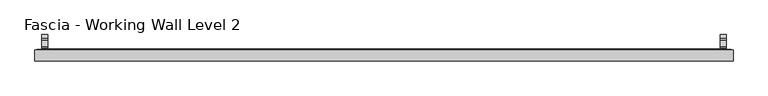
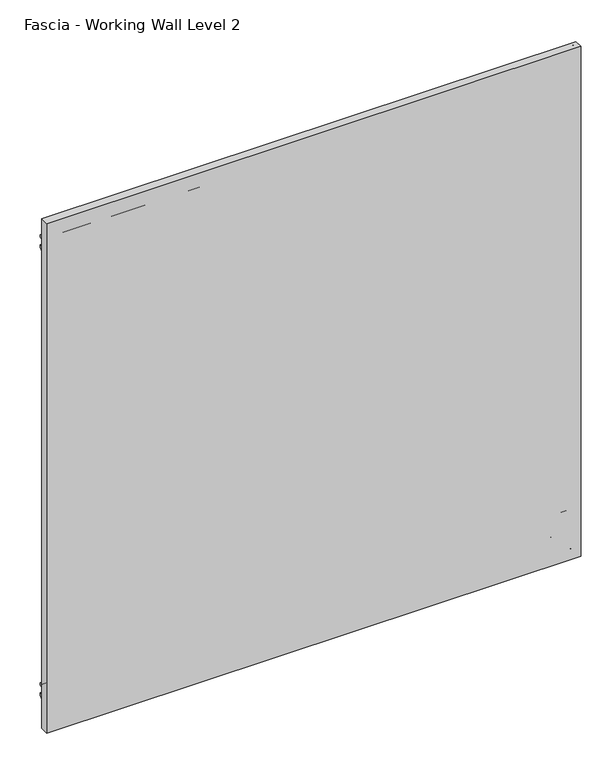
"""IFC4 building model written with IfcOpenShell, lengths in millimetres: proxy geometry, Fascia - Working Wall Level 2."""

from ifc_helpers import new_model, si_unit, point, frame, frame_2d, origin, origin_with_axes, place, context, project, spatial, polyline, circle_curve, ellipse_curve, trimmed, segment, composite_curve, outline, extrude, source, transform, mapped, element, save
from ifc_brep_helpers import plane_surface, cylinder_surface, advanced_brep


def fascia_working_wall_level_2_7f850f2b(model_context):
    return source(origin(), model_context, "Body", "SolidModel", [
        extrude(outline(polyline([(-679.4999368, -27.57958), (-679.4999368, -8.52958), (517.9473618, -8.52958), (517.9473618, -27.57958), (-679.4999368, -27.57958)])), origin_with_axes(), (0.0, 0.0, 1.0), 1206.5),
        extrude(outline(polyline([(-609.9674368, -8.52958), (-609.9674368, -7.7479633), (448.4148618, -7.7479633), (448.4148618, -8.52958), (-609.9674368, -8.52958)])), frame((0.0, 0.0, 68.2878437), z_axis=(0.0, 0.0, 1.0), x_axis=(1.0, 0.0, 0.0)), (0.0, 0.0, 1.0), 1067.435),
        advanced_brep(
        [(-631.6690291, -9.1390123, 46.5862514), (470.1164541, -9.1390123, 46.5862514), (470.3858618, -8.26542, 46.3168437), (-631.9384368, -8.26542, 46.3168437), (-632.8428445, -10.3128277, 45.412436), (471.2902695, -10.3128277, 45.412436), (-625.7562445, -9.1390123, 52.499036), (464.2036695, -9.1390123, 52.499036), (463.0298541, -10.3128277, 53.6728514), (-624.5824291, -10.3128277, 53.6728514), (-625.4868368, -8.26542, 52.7684437), (463.9342618, -8.26542, 52.7684437), (-609.2054368, -9.40842, 69.0498437), (447.6528618, -9.40842, 69.0498437), (448.4148618, -8.26542, 68.2878437), (-609.9674368, -8.26542, 68.2878437), (-596.8864368, -16.52042, 81.3688437), (435.3338618, -16.52042, 81.3688437), (435.3338618, -9.40842, 81.3688437), (-596.8864368, -9.40842, 81.3688437), (-677.9124368, -9.78942, 0.3428437), (516.3598618, -9.78942, 0.3428437), (516.3598618, -16.52042, 0.3428437), (-677.9124368, -16.52042, 0.3428437), (-676.3884368, -8.26542, 1.8668437), (514.8358618, -8.26542, 1.8668437), (-674.3410291, -9.1390123, 3.9142514), (512.7884541, -9.1390123, 3.9142514), (513.0578618, -8.26542, 3.6448437), (-674.6104368, -8.26542, 3.6448437), (-675.5148445, -10.3128277, 2.740436), (513.9622695, -10.3128277, 2.740436), (-668.4282445, -9.1390123, 9.827036), (506.8756695, -9.1390123, 9.827036), (505.7018541, -10.3128277, 11.0008514), (-667.2544291, -10.3128277, 11.0008514), (-668.1588368, -8.26542, 10.0964437), (506.6062618, -8.26542, 10.0964437), (-663.2693368, -8.26542, 14.9859437), (501.7167618, -8.26542, 14.9859437), (503.2407618, -8.26542, 13.4619437), (-664.7933368, -8.26542, 13.4619437), (-657.3003368, -8.26542, 20.9549437), (495.7477618, -8.26542, 20.9549437), (498.1607618, -8.26542, 18.5419437), (-659.7133368, -8.26542, 18.5419437), (470.1164541, -9.1390123, 1157.424436), (470.3858618, -8.26542, 1157.6938437), (471.2902695, -10.3128277, 1158.5982514), (464.2036695, -9.1390123, 1151.5116514), (463.0298541, -10.3128277, 1150.337836), (463.9342618, -8.26542, 1151.2422437), (447.6528618, -9.40842, 1134.9608437), (448.4148618, -8.26542, 1135.7228437), (435.3338618, -16.52042, 1122.6418437), (435.3338618, -9.40842, 1122.6418437), (516.3598618, -9.78942, 1203.6678437), (516.3598618, -16.52042, 1203.6678437), (514.8358618, -8.26542, 1202.1438437), (512.7884541, -9.1390123, 1200.096436), (513.0578618, -8.26542, 1200.3658437), (513.9622695, -10.3128277, 1201.2702514), (506.8756695, -9.1390123, 1194.1836514), (505.7018541, -10.3128277, 1193.009836), (506.6062618, -8.26542, 1193.9142437), (501.7167618, -8.26542, 1189.0247437), (503.2407618, -8.26542, 1190.5487437), (495.7477618, -8.26542, 1183.0557437), (498.1607618, -8.26542, 1185.4687437), (-631.6690291, -9.1390123, 1157.424436), (-631.9384368, -8.26542, 1157.6938437), (-632.8428445, -10.3128277, 1158.5982514), (-625.7562445, -9.1390123, 1151.5116514), (-624.5824291, -10.3128277, 1150.337836), (-625.4868368, -8.26542, 1151.2422437), (-609.2054368, -9.40842, 1134.9608437), (-609.9674368, -8.26542, 1135.7228437), (-596.8864368, -16.52042, 1122.6418437), (-596.8864368, -9.40842, 1122.6418437), (-677.9124368, -9.78942, 1203.6678437), (-677.9124368, -16.52042, 1203.6678437), (-676.3884368, -8.26542, 1202.1438437), (-674.3410291, -9.1390123, 1200.096436), (-674.6104368, -8.26542, 1200.3658437), (-675.5148445, -10.3128277, 1201.2702514), (-668.4282445, -9.1390123, 1194.1836514), (-667.2544291, -10.3128277, 1193.009836), (-668.1588368, -8.26542, 1193.9142437), (-663.2693368, -8.26542, 1189.0247437), (-664.7933368, -8.26542, 1190.5487437), (-657.3003368, -8.26542, 1183.0557437), (-659.7133368, -8.26542, 1185.4687437)],
        [
            (0, 1),
            (1, 2, ellipse_curve(frame((470.4820464, -8.77342, 46.220659), z_axis=(-0.7071067811865475, 0.0, -0.7071067811865475), x_axis=(-0.7071067811865476, 0.0, 0.7071067811865474)), 0.7311846, 0.5170256)),
            (2, 3),
            (3, 0, ellipse_curve(frame((-632.0346214, -8.77342, 46.220659), z_axis=(0.7071067811865475, 0.0, -0.7071067811865475), x_axis=(-0.7071067811865476, 0.0, -0.7071067811865474)), 0.7311846, 0.5170256)),
            (4, 5),
            (5, 1),
            (0, 4),
            (6, 7),
            (7, 8),
            (8, 9),
            (9, 6),
            (10, 11),
            (11, 7, ellipse_curve(frame((463.8380772, -8.77342, 52.8646283), z_axis=(-0.7071067811865475, 0.0, -0.7071067811865475), x_axis=(-0.7071067811865476, 0.0, 0.7071067811865474)), 0.7311846, 0.5170256)),
            (6, 10, ellipse_curve(frame((-625.3906522, -8.77342, 52.8646283), z_axis=(0.7071067811865475, 0.0, -0.7071067811865475), x_axis=(-0.7071067811865476, 0.0, -0.7071067811865474)), 0.7311846, 0.5170256)),
            (12, 13),
            (13, 14),
            (14, 15),
            (15, 12),
            (16, 17),
            (17, 18),
            (18, 19),
            (19, 16),
            (20, 21),
            (21, 22),
            (22, 23),
            (23, 20),
            (24, 25),
            (25, 21),
            (20, 24),
            (26, 27),
            (27, 28, ellipse_curve(frame((513.1540464, -8.77342, 3.548659), z_axis=(-0.7071067811865475, 0.0, -0.7071067811865475), x_axis=(-0.7071067811865476, 0.0, 0.7071067811865474)), 0.7311846, 0.5170256)),
            (28, 29),
            (29, 26, ellipse_curve(frame((-674.7066214, -8.77342, 3.548659), z_axis=(0.7071067811865475, 0.0, -0.7071067811865475), x_axis=(-0.7071067811865476, 0.0, -0.7071067811865474)), 0.7311846, 0.5170256)),
            (30, 31),
            (31, 27),
            (26, 30),
            (32, 33),
            (33, 34),
            (34, 35),
            (35, 32),
            (36, 37),
            (37, 33, ellipse_curve(frame((506.5100772, -8.77342, 10.1926283), z_axis=(-0.7071067811865475, 0.0, -0.7071067811865475), x_axis=(-0.7071067811865476, 0.0, 0.7071067811865474)), 0.7311846, 0.5170256)),
            (32, 36, ellipse_curve(frame((-668.0626522, -8.77342, 10.1926283), z_axis=(0.7071067811865475, 0.0, -0.7071067811865475), x_axis=(-0.7071067811865476, 0.0, -0.7071067811865474)), 0.7311846, 0.5170256)),
            (38, 39),
            (39, 40, ellipse_curve(frame((502.4787618, -8.26542, 14.2239437), z_axis=(-0.7071067811865475, 0.0, -0.7071067811865475), x_axis=(-0.7071067811865476, 0.0, 0.7071067811865474)), 1.0776307, 0.762)),
            (40, 41),
            (41, 38, ellipse_curve(frame((-664.0313368, -8.26542, 14.2239437), z_axis=(0.7071067811865475, 0.0, -0.7071067811865475), x_axis=(-0.7071067811865476, 0.0, -0.7071067811865474)), 1.0776307, 0.762)),
            (42, 43),
            (43, 44, ellipse_curve(frame((496.9542618, -8.9837931, 19.7484437), z_axis=(-0.7071067811865475, 0.0, -0.7071067811865475), x_axis=(-0.7071067811865476, 0.0, 0.7071067811865474)), 1.9858007, 1.4041731)),
            (44, 45),
            (45, 42, ellipse_curve(frame((-658.5068368, -8.9837931, 19.7484437), z_axis=(0.7071067811865475, 0.0, -0.7071067811865475), x_axis=(-0.7071067811865476, 0.0, -0.7071067811865474)), 1.9858007, 1.4041731)),
            (1, 46),
            (46, 47, ellipse_curve(frame((470.4820464, -8.77342, 1157.7900283), z_axis=(0.7071067811865475, 0.0, -0.7071067811865475), x_axis=(-0.7071067811865474, 0.0, -0.7071067811865476)), 0.7311846, 0.5170256)),
            (47, 2),
            (5, 48),
            (48, 46),
            (7, 49),
            (49, 50),
            (50, 8),
            (11, 51),
            (51, 49, ellipse_curve(frame((463.8380772, -8.77342, 1151.146059), z_axis=(0.7071067811865475, 0.0, -0.7071067811865475), x_axis=(-0.7071067811865474, 0.0, -0.7071067811865476)), 0.7311846, 0.5170256)),
            (13, 52),
            (52, 53),
            (53, 14),
            (17, 54),
            (54, 55),
            (55, 18),
            (21, 56),
            (56, 57),
            (57, 22),
            (25, 58),
            (58, 56),
            (27, 59),
            (59, 60, ellipse_curve(frame((513.1540464, -8.77342, 1200.4620283), z_axis=(0.7071067811865475, 0.0, -0.7071067811865475), x_axis=(-0.7071067811865474, 0.0, -0.7071067811865476)), 0.7311846, 0.5170256)),
            (60, 28),
            (31, 61),
            (61, 59),
            (33, 62),
            (62, 63),
            (63, 34),
            (37, 64),
            (64, 62, ellipse_curve(frame((506.5100772, -8.77342, 1193.818059), z_axis=(0.7071067811865475, 0.0, -0.7071067811865475), x_axis=(-0.7071067811865474, 0.0, -0.7071067811865476)), 0.7311846, 0.5170256)),
            (39, 65),
            (65, 66, ellipse_curve(frame((502.4787618, -8.26542, 1189.7867437), z_axis=(0.7071067811865475, 0.0, -0.7071067811865475), x_axis=(-0.7071067811865474, 0.0, -0.7071067811865476)), 1.0776307, 0.762)),
            (66, 40),
            (43, 67),
            (67, 68, ellipse_curve(frame((496.9542618, -8.9837931, 1184.2622437), z_axis=(0.7071067811865475, 0.0, -0.7071067811865475), x_axis=(-0.7071067811865474, 0.0, -0.7071067811865476)), 1.9858007, 1.4041731)),
            (68, 44),
            (46, 69),
            (69, 70, ellipse_curve(frame((-632.0346214, -8.77342, 1157.7900283), z_axis=(0.7071067811865475, 0.0, 0.7071067811865475), x_axis=(0.7071067811865476, 0.0, -0.7071067811865474)), 0.7311846, 0.5170256)),
            (70, 47),
            (48, 71),
            (71, 69),
            (49, 72),
            (72, 73),
            (73, 50),
            (51, 74),
            (74, 72, ellipse_curve(frame((-625.3906522, -8.77342, 1151.146059), z_axis=(0.7071067811865475, 0.0, 0.7071067811865475), x_axis=(0.7071067811865476, 0.0, -0.7071067811865474)), 0.7311846, 0.5170256)),
            (52, 75),
            (75, 76),
            (76, 53),
            (54, 77),
            (77, 78),
            (78, 55),
            (56, 79),
            (79, 80),
            (80, 57),
            (58, 81),
            (81, 79),
            (59, 82),
            (82, 83, ellipse_curve(frame((-674.7066214, -8.77342, 1200.4620283), z_axis=(0.7071067811865475, 0.0, 0.7071067811865475), x_axis=(0.7071067811865476, 0.0, -0.7071067811865474)), 0.7311846, 0.5170256)),
            (83, 60),
            (61, 84),
            (84, 82),
            (62, 85),
            (85, 86),
            (86, 63),
            (64, 87),
            (87, 85, ellipse_curve(frame((-668.0626522, -8.77342, 1193.818059), z_axis=(0.7071067811865475, 0.0, 0.7071067811865475), x_axis=(0.7071067811865476, 0.0, -0.7071067811865474)), 0.7311846, 0.5170256)),
            (65, 88),
            (88, 89, ellipse_curve(frame((-664.0313368, -8.26542, 1189.7867437), z_axis=(0.7071067811865475, 0.0, 0.7071067811865475), x_axis=(0.7071067811865476, 0.0, -0.7071067811865474)), 1.0776307, 0.762)),
            (89, 66),
            (67, 90),
            (90, 91, ellipse_curve(frame((-658.5068368, -8.9837931, 1184.2622437), z_axis=(0.7071067811865475, 0.0, 0.7071067811865475), x_axis=(0.7071067811865476, 0.0, -0.7071067811865474)), 1.9858007, 1.4041731)),
            (91, 68),
            (42, 90),
            (70, 3),
            (69, 0),
            (71, 4),
            (73, 9),
            (72, 6),
            (74, 10),
            (76, 15),
            (75, 12),
            (78, 19),
            (77, 16),
            (80, 23),
            (79, 20),
            (81, 24),
            (83, 29),
            (82, 26),
            (84, 30),
            (86, 35),
            (85, 32),
            (87, 36),
            (89, 41),
            (88, 38),
            (91, 45),
        ],
        [
            cylinder_surface(frame((-596.8864368, -8.77342, 46.220659), z_axis=(-1.0, 0.0, 0.0), x_axis=(0.0, 0.0, 1.0)), 0.5170256),
            plane_surface(frame((-631.6690291, -9.1390123, 46.5862514), z_axis=(0.0, -0.7071067813015448, 0.7071067810715502), x_axis=(1.0, 0.0, 0.0))),
            plane_surface(frame((-624.5824291, -10.3128277, 53.6728514), z_axis=(0.0, -0.7071067813016149, -0.7071067810714802), x_axis=(1.0, 0.0, 0.0))),
            cylinder_surface(frame((-596.8864368, -8.77342, 52.8646283), z_axis=(-1.0, 0.0, 0.0), x_axis=(0.0, 0.0, 1.0)), 0.5170256),
            plane_surface(frame((-609.9674368, -8.26542, 68.2878437), z_axis=(0.0, 0.5547001959766814, 0.8320502945035422), x_axis=(1.0, 0.0, 0.0))),
            plane_surface(frame((-596.8864368, -9.40842, 81.3688437), z_axis=(0.0, 0.0, 1.0), x_axis=(1.0, 0.0, 0.0))),
            plane_surface(frame((-677.9124368, -16.52042, 0.3428437), z_axis=(0.0, 0.0, -1.0), x_axis=(1.0, 0.0, 0.0))),
            plane_surface(frame((-677.9124368, -9.78942, 0.3428437), z_axis=(0.0, 0.7071067810149474, -0.7071067813581478), x_axis=(1.0, 0.0, 0.0))),
            cylinder_surface(frame((-596.8864368, -8.77342, 3.548659), z_axis=(-1.0, 0.0, 0.0), x_axis=(0.0, 0.0, 1.0)), 0.5170256),
            plane_surface(frame((-674.3410291, -9.1390123, 3.9142514), z_axis=(0.0, -0.7071067811139597, 0.7071067812591354), x_axis=(1.0, 0.0, 0.0))),
            plane_surface(frame((-667.2544291, -10.3128277, 11.0008514), z_axis=(0.0, -0.7071067811880297, -0.7071067811850653), x_axis=(1.0, 0.0, 0.0))),
            cylinder_surface(frame((-596.8864368, -8.77342, 10.1926283), z_axis=(-1.0, 0.0, 0.0), x_axis=(0.0, 0.0, 1.0)), 0.5170256),
            cylinder_surface(frame((-596.8864368, -8.26542, 14.2239437), z_axis=(-1.0, 0.0, 0.0), x_axis=(0.0, 0.0, 1.0)), 0.762),
            cylinder_surface(frame((-596.8864368, -8.9837931, 19.7484437), z_axis=(-1.0, 0.0, 0.0), x_axis=(0.0, 0.0, 1.0)), 1.4041731),
            cylinder_surface(frame((470.4820464, -8.77342, 81.3688437), z_axis=(0.0, 0.0, -1.0), x_axis=(-1.0, 0.0, 0.0)), 0.5170256),
            plane_surface(frame((470.1164541, -9.1390123, 46.5862514), z_axis=(-0.7071067810715405, -0.7071067813015546, 0.0), x_axis=(0.0, 0.0, 1.0))),
            plane_surface(frame((463.0298541, -10.3128277, 53.6728514), z_axis=(0.7071067810714899, -0.7071067813016051, 0.0), x_axis=(0.0, 0.0, 1.0))),
            cylinder_surface(frame((463.8380772, -8.77342, 81.3688437), z_axis=(0.0, 0.0, -1.0), x_axis=(-1.0, 0.0, 0.0)), 0.5170256),
            plane_surface(frame((448.4148618, -8.26542, 68.2878437), z_axis=(-0.8320502945035498, 0.5547001959766699, 0.0), x_axis=(0.0, 0.0, 1.0))),
            plane_surface(frame((435.3338618, -9.40842, 81.3688437), z_axis=(-1.0, 0.0, 0.0), x_axis=(0.0, 0.0, 1.0))),
            plane_surface(frame((516.3598618, -16.52042, 0.3428437), z_axis=(1.0, 0.0, 0.0), x_axis=(0.0, 0.0, 1.0))),
            plane_surface(frame((516.3598618, -9.78942, 0.3428437), z_axis=(0.707106781358138, 0.7071067810149572, 0.0), x_axis=(0.0, 0.0, 1.0))),
            cylinder_surface(frame((513.1540464, -8.77342, 81.3688437), z_axis=(0.0, 0.0, -1.0), x_axis=(-1.0, 0.0, 0.0)), 0.5170256),
            plane_surface(frame((512.7884541, -9.1390123, 3.9142514), z_axis=(-0.7071067812591256, -0.7071067811139695, 0.0), x_axis=(0.0, 0.0, 1.0))),
            plane_surface(frame((505.7018541, -10.3128277, 11.0008514), z_axis=(0.7071067811850751, -0.70710678118802, 0.0), x_axis=(0.0, 0.0, 1.0))),
            cylinder_surface(frame((506.5100772, -8.77342, 81.3688437), z_axis=(0.0, 0.0, -1.0), x_axis=(-1.0, 0.0, 0.0)), 0.5170256),
            cylinder_surface(frame((502.4787618, -8.26542, 81.3688437), z_axis=(0.0, 0.0, -1.0), x_axis=(-1.0, 0.0, 0.0)), 0.762),
            cylinder_surface(frame((496.9542618, -8.9837931, 81.3688437), z_axis=(0.0, 0.0, -1.0), x_axis=(-1.0, 0.0, 0.0)), 1.4041731),
            cylinder_surface(frame((435.3338618, -8.77342, 1157.7900283), z_axis=(1.0, 0.0, 0.0), x_axis=(0.0, 0.0, -1.0)), 0.5170256),
            plane_surface(frame((470.1164541, -9.1390123, 1157.424436), z_axis=(0.0, -0.7071067813015643, -0.7071067810715307), x_axis=(-1.0, 0.0, 0.0))),
            plane_surface(frame((463.0298541, -10.3128277, 1150.337836), z_axis=(0.0, -0.7071067813015953, 0.7071067810714997), x_axis=(-1.0, 0.0, 0.0))),
            cylinder_surface(frame((435.3338618, -8.77342, 1151.146059), z_axis=(1.0, 0.0, 0.0), x_axis=(0.0, 0.0, -1.0)), 0.5170256),
            plane_surface(frame((448.4148618, -8.26542, 1135.7228437), z_axis=(0.0, 0.5547001959766583, -0.8320502945035575), x_axis=(-1.0, 0.0, 0.0))),
            plane_surface(frame((435.3338618, -9.40842, 1122.6418437), z_axis=(0.0, 0.0, -1.0), x_axis=(-1.0, 0.0, 0.0))),
            plane_surface(frame((516.3598618, -16.52042, 1203.6678437), z_axis=(0.0, 0.0, 1.0), x_axis=(-1.0, 0.0, 0.0))),
            plane_surface(frame((516.3598618, -9.78942, 1203.6678437), z_axis=(0.0, 0.7071067810149669, 0.7071067813581282), x_axis=(-1.0, 0.0, 0.0))),
            cylinder_surface(frame((435.3338618, -8.77342, 1200.4620283), z_axis=(1.0, 0.0, 0.0), x_axis=(0.0, 0.0, -1.0)), 0.5170256),
            plane_surface(frame((512.7884541, -9.1390123, 1200.096436), z_axis=(0.0, -0.7071067811139793, -0.7071067812591159), x_axis=(-1.0, 0.0, 0.0))),
            plane_surface(frame((505.7018541, -10.3128277, 1193.009836), z_axis=(0.0, -0.7071067811880102, 0.7071067811850849), x_axis=(-1.0, 0.0, 0.0))),
            cylinder_surface(frame((435.3338618, -8.77342, 1193.818059), z_axis=(1.0, 0.0, 0.0), x_axis=(0.0, 0.0, -1.0)), 0.5170256),
            cylinder_surface(frame((435.3338618, -8.26542, 1189.7867437), z_axis=(1.0, 0.0, 0.0), x_axis=(0.0, 0.0, -1.0)), 0.762),
            cylinder_surface(frame((435.3338618, -8.9837931, 1184.2622437), z_axis=(1.0, 0.0, 0.0), x_axis=(0.0, 0.0, -1.0)), 1.4041731),
            plane_surface(frame((-657.3003368, -8.26542, 1183.0557437), z_axis=(0.0, 1.0, 0.0), x_axis=(0.0, 0.0, -1.0))),
            cylinder_surface(frame((-632.0346214, -8.77342, 1122.6418437), z_axis=(0.0, 0.0, 1.0), x_axis=(1.0, 0.0, 0.0)), 0.5170256),
            plane_surface(frame((-631.6690291, -9.1390123, 1157.424436), z_axis=(0.7071067810715405, -0.7071067813015546, 0.0), x_axis=(0.0, 0.0, -1.0))),
            plane_surface(frame((-632.8428445, -10.3128277, 1158.5982514), z_axis=(0.0, 1.0, 0.0), x_axis=(0.0, 0.0, -1.0))),
            plane_surface(frame((-624.5824291, -10.3128277, 1150.337836), z_axis=(-0.7071067810714899, -0.7071067813016051, 0.0), x_axis=(0.0, 0.0, -1.0))),
            cylinder_surface(frame((-625.3906522, -8.77342, 1122.6418437), z_axis=(0.0, 0.0, 1.0), x_axis=(1.0, 0.0, 0.0)), 0.5170256),
            plane_surface(frame((-625.4868368, -8.26542, 1151.2422437), z_axis=(0.0, 1.0, 0.0), x_axis=(0.0, 0.0, -1.0))),
            plane_surface(frame((-609.9674368, -8.26542, 1135.7228437), z_axis=(0.8320502945035498, 0.5547001959766699, 0.0), x_axis=(0.0, 0.0, -1.0))),
            plane_surface(frame((-609.2054368, -9.40842, 1134.9608437), z_axis=(0.0, 1.0, 0.0), x_axis=(0.0, 0.0, -1.0))),
            plane_surface(frame((-596.8864368, -9.40842, 1122.6418437), z_axis=(1.0, 0.0, 0.0), x_axis=(0.0, 0.0, -1.0))),
            plane_surface(frame((-596.8864368, -16.52042, 1122.6418437), z_axis=(0.0, -1.0, 0.0), x_axis=(0.0, 0.0, -1.0))),
            plane_surface(frame((-677.9124368, -16.52042, 1203.6678437), z_axis=(-1.0, 0.0, 0.0), x_axis=(0.0, 0.0, -1.0))),
            plane_surface(frame((-677.9124368, -9.78942, 1203.6678437), z_axis=(-0.707106781358138, 0.7071067810149572, 0.0), x_axis=(0.0, 0.0, -1.0))),
            plane_surface(frame((-676.3884368, -8.26542, 1202.1438437), z_axis=(0.0, 1.0, 0.0), x_axis=(0.0, 0.0, -1.0))),
            cylinder_surface(frame((-674.7066214, -8.77342, 1122.6418437), z_axis=(0.0, 0.0, 1.0), x_axis=(1.0, 0.0, 0.0)), 0.5170256),
            plane_surface(frame((-674.3410291, -9.1390123, 1200.096436), z_axis=(0.7071067812591256, -0.7071067811139695, 0.0), x_axis=(0.0, 0.0, -1.0))),
            plane_surface(frame((-675.5148445, -10.3128277, 1201.2702514), z_axis=(0.0, 1.0, 0.0), x_axis=(0.0, 0.0, -1.0))),
            plane_surface(frame((-667.2544291, -10.3128277, 1193.009836), z_axis=(-0.7071067811850751, -0.70710678118802, 0.0), x_axis=(0.0, 0.0, -1.0))),
            cylinder_surface(frame((-668.0626522, -8.77342, 1122.6418437), z_axis=(0.0, 0.0, 1.0), x_axis=(1.0, 0.0, 0.0)), 0.5170256),
            plane_surface(frame((-668.1588368, -8.26542, 1193.9142437), z_axis=(0.0, 1.0, 0.0), x_axis=(0.0, 0.0, -1.0))),
            cylinder_surface(frame((-664.0313368, -8.26542, 1122.6418437), z_axis=(0.0, 0.0, 1.0), x_axis=(1.0, 0.0, 0.0)), 0.762),
            plane_surface(frame((-663.2693368, -8.26542, 1189.0247437), z_axis=(0.0, 1.0, 0.0), x_axis=(0.0, 0.0, -1.0))),
            cylinder_surface(frame((-658.5068368, -8.9837931, 1122.6418437), z_axis=(0.0, 0.0, 1.0), x_axis=(1.0, 0.0, 0.0)), 1.4041731),
        ],
        [
            (0, [[1, 2, 3, 4]]),
            (1, [[5, 6, -1, 7]]),
            (2, [[8, 9, 10, 11]]),
            (3, [[12, 13, -8, 14]]),
            (4, [[15, 16, 17, 18]]),
            (5, [[19, 20, 21, 22]]),
            (6, [[23, 24, 25, 26]]),
            (7, [[27, 28, -23, 29]]),
            (8, [[30, 31, 32, 33]]),
            (9, [[34, 35, -30, 36]]),
            (10, [[37, 38, 39, 40]]),
            (11, [[41, 42, -37, 43]]),
            (12, [[44, 45, 46, 47]]),
            (13, [[48, 49, 50, 51]]),
            (14, [[52, 53, 54, -2]]),
            (15, [[55, 56, -52, -6]]),
            (16, [[57, 58, 59, -9]]),
            (17, [[60, 61, -57, -13]]),
            (18, [[62, 63, 64, -16]]),
            (19, [[65, 66, 67, -20]]),
            (20, [[68, 69, 70, -24]]),
            (21, [[71, 72, -68, -28]]),
            (22, [[73, 74, 75, -31]]),
            (23, [[76, 77, -73, -35]]),
            (24, [[78, 79, 80, -38]]),
            (25, [[81, 82, -78, -42]]),
            (26, [[83, 84, 85, -45]]),
            (27, [[86, 87, 88, -49]]),
            (28, [[89, 90, 91, -53]]),
            (29, [[92, 93, -89, -56]]),
            (30, [[94, 95, 96, -58]]),
            (31, [[97, 98, -94, -61]]),
            (32, [[99, 100, 101, -63]]),
            (33, [[102, 103, 104, -66]]),
            (34, [[105, 106, 107, -69]]),
            (35, [[108, 109, -105, -72]]),
            (36, [[110, 111, 112, -74]]),
            (37, [[113, 114, -110, -77]]),
            (38, [[115, 116, 117, -79]]),
            (39, [[118, 119, -115, -82]]),
            (40, [[120, 121, 122, -84]]),
            (41, [[123, 124, 125, -87]]),
            (42, [[-48, 126, -123, -86], [-3, -54, -91, 127]]),
            (43, [[128, -4, -127, -90]]),
            (44, [[129, -7, -128, -93]]),
            (45, [[-5, -129, -92, -55], [-10, -59, -96, 130]]),
            (46, [[131, -11, -130, -95]]),
            (47, [[132, -14, -131, -98]]),
            (48, [[-12, -132, -97, -60], [-17, -64, -101, 133]]),
            (49, [[134, -18, -133, -100]]),
            (50, [[-15, -134, -99, -62], [-21, -67, -104, 135]]),
            (51, [[136, -22, -135, -103]]),
            (52, [[-25, -70, -107, 137], [-19, -136, -102, -65]]),
            (53, [[138, -26, -137, -106]]),
            (54, [[139, -29, -138, -109]]),
            (55, [[-27, -139, -108, -71], [-32, -75, -112, 140]]),
            (56, [[141, -33, -140, -111]]),
            (57, [[142, -36, -141, -114]]),
            (58, [[-34, -142, -113, -76], [-39, -80, -117, 143]]),
            (59, [[144, -40, -143, -116]]),
            (60, [[145, -43, -144, -119]]),
            (61, [[-41, -145, -118, -81], [-46, -85, -122, 146]]),
            (62, [[147, -47, -146, -121]]),
            (63, [[-44, -147, -120, -83], [-50, -88, -125, 148]]),
            (64, [[-126, -51, -148, -124]]),
        ],
    ),
        extrude(outline(composite_curve([segment(trimmed(circle_curve(frame_2d((2.969762, 1105.9650068)), 8.9999998), [point((8.6264069, 1112.9651757))], [point((-2.6868829, 1112.9651757))], True, "CARTESIAN"), True, "CONTINUOUS"), segment(polyline([(-2.6868829, 1112.9651757), (-6.03022, 1112.9651757), (-6.03022, 1096.2667077), (-9.02742, 1096.2667077), (-9.02742, 1170.6633077), (-6.03022, 1170.6633077), (-6.03022, 1153.9648397), (-2.6868829, 1153.9648397)]), True, "CONTINUOUS"), segment(trimmed(circle_curve(frame_2d((2.969762, 1160.9650086)), 8.9999998), [point((-2.6868829, 1153.9648397))], [point((8.6264069, 1153.9648397))], True, "CARTESIAN"), True, "CONTINUOUS"), segment(polyline([(8.6264069, 1153.9648397), (11.464792, 1153.9648397), (17.46478, 1147.9648517), (17.46478, 1141.9650085), (3.517907, 1139.8943968)]), True, "CONTINUOUS"), segment(trimmed(circle_curve(frame_2d((4.4724412, 1133.4650077)), 6.49986), [point((3.517907, 1139.8943968))], [point((3.517907, 1127.0356186))], True, "CARTESIAN"), True, "CONTINUOUS"), segment(polyline([(3.517907, 1127.0356186), (17.46478, 1124.9650069), (17.46478, 1118.9651637), (11.464792, 1112.9651757), (8.6264069, 1112.9651757)]), True, "CONTINUOUS")], self_intersect=False), holes=[composite_curve([segment(trimmed(circle_curve(frame_2d((7.48258, 1119.9650077)), 2.7813), [point((10.26388, 1119.9650077))], [point((4.70128, 1119.9650077))], True, "CARTESIAN"), True, "CONTINUOUS"), segment(trimmed(circle_curve(frame_2d((7.48258, 1119.9650077)), 2.7813), [point((4.70128, 1119.9650077))], [point((10.26388, 1119.9650077))], True, "CARTESIAN"), True, "CONTINUOUS")], self_intersect=False), composite_curve([segment(trimmed(circle_curve(frame_2d((7.48258, 1146.9650077)), 2.7813), [point((10.26388, 1146.9650077))], [point((4.70128, 1146.9650077))], True, "CARTESIAN"), True, "CONTINUOUS"), segment(trimmed(circle_curve(frame_2d((7.48258, 1146.9650077)), 2.7813), [point((4.70128, 1146.9650077))], [point((10.26388, 1146.9650077))], True, "CARTESIAN"), True, "CONTINUOUS")], self_intersect=False)]), frame((496.2049618, 0.0, 0.0), z_axis=(1.0, 0.0, 0.0), x_axis=(0.0, 1.0, 0.0)), (0.0, 0.0, 1.0), 10.0076),
        extrude(outline(composite_curve([segment(trimmed(circle_curve(frame_2d((2.969762, 45.5349914)), 8.9999998), [point((8.6264069, 52.5351603))], [point((-2.6868829, 52.5351603))], True, "CARTESIAN"), True, "CONTINUOUS"), segment(polyline([(-2.6868829, 52.5351603), (-6.03022, 52.5351603), (-6.03022, 35.8366923), (-9.02742, 35.8366923), (-9.02742, 110.2332923), (-6.03022, 110.2332923), (-6.03022, 93.5348243), (-2.6868829, 93.5348243)]), True, "CONTINUOUS"), segment(trimmed(circle_curve(frame_2d((2.969762, 100.5349932)), 8.9999998), [point((-2.6868829, 93.5348243))], [point((8.6264069, 93.5348243))], True, "CARTESIAN"), True, "CONTINUOUS"), segment(polyline([(8.6264069, 93.5348243), (11.464792, 93.5348243), (17.46478, 87.5348363), (17.46478, 81.5349931), (3.517907, 79.4643814)]), True, "CONTINUOUS"), segment(trimmed(circle_curve(frame_2d((4.4724412, 73.0349923)), 6.49986), [point((3.517907, 79.4643814))], [point((3.517907, 66.6056032))], True, "CARTESIAN"), True, "CONTINUOUS"), segment(polyline([(3.517907, 66.6056032), (17.46478, 64.5349915), (17.46478, 58.5351483), (11.464792, 52.5351603), (8.6264069, 52.5351603)]), True, "CONTINUOUS")], self_intersect=False), holes=[composite_curve([segment(trimmed(circle_curve(frame_2d((7.48258, 59.5349923)), 2.7813), [point((10.26388, 59.5349923))], [point((4.70128, 59.5349923))], True, "CARTESIAN"), True, "CONTINUOUS"), segment(trimmed(circle_curve(frame_2d((7.48258, 59.5349923)), 2.7813), [point((4.70128, 59.5349923))], [point((10.26388, 59.5349923))], True, "CARTESIAN"), True, "CONTINUOUS")], self_intersect=False), composite_curve([segment(trimmed(circle_curve(frame_2d((7.48258, 86.5349923)), 2.7813), [point((10.26388, 86.5349923))], [point((4.70128, 86.5349923))], True, "CARTESIAN"), True, "CONTINUOUS"), segment(trimmed(circle_curve(frame_2d((7.48258, 86.5349923)), 2.7813), [point((4.70128, 86.5349923))], [point((10.26388, 86.5349923))], True, "CARTESIAN"), True, "CONTINUOUS")], self_intersect=False)]), frame((496.2049618, 0.0, 0.0), z_axis=(1.0, 0.0, 0.0), x_axis=(0.0, 1.0, 0.0)), (0.0, 0.0, 1.0), 10.0076),
        extrude(outline(composite_curve([segment(polyline([(-6.03022, 1170.6633077), (-6.03022, 1153.9648397), (-2.6868829, 1153.9648397)]), True, "CONTINUOUS"), segment(trimmed(circle_curve(frame_2d((2.969762, 1160.9650086)), 8.9999998), [point((-2.6868829, 1153.9648397))], [point((8.6264069, 1153.9648397))], True, "CARTESIAN"), True, "CONTINUOUS"), segment(polyline([(8.6264069, 1153.9648397), (11.464792, 1153.9648397), (17.46478, 1147.9648517), (17.46478, 1141.9650085), (3.517907, 1139.8943968)]), True, "CONTINUOUS"), segment(trimmed(circle_curve(frame_2d((4.4724412, 1133.4650077)), 6.49986), [point((3.517907, 1139.8943968))], [point((3.517907, 1127.0356186))], True, "CARTESIAN"), True, "CONTINUOUS"), segment(polyline([(3.517907, 1127.0356186), (17.46478, 1124.9650069), (17.46478, 1118.9651637), (11.464792, 1112.9651757), (8.6264069, 1112.9651757)]), True, "CONTINUOUS"), segment(trimmed(circle_curve(frame_2d((2.969762, 1105.9650068)), 8.9999998), [point((8.6264069, 1112.9651757))], [point((-2.6868829, 1112.9651757))], True, "CARTESIAN"), True, "CONTINUOUS"), segment(polyline([(-2.6868829, 1112.9651757), (-6.03022, 1112.9651757), (-6.03022, 1096.2667077), (-9.02742, 1096.2667077), (-9.02742, 1170.6633077), (-6.03022, 1170.6633077)]), True, "CONTINUOUS")], self_intersect=False), holes=[composite_curve([segment(trimmed(circle_curve(frame_2d((7.48258, 1119.9650077)), 2.7813), [point((10.26388, 1119.9650077))], [point((4.70128, 1119.9650077))], True, "CARTESIAN"), True, "CONTINUOUS"), segment(trimmed(circle_curve(frame_2d((7.48258, 1119.9650077)), 2.7813), [point((4.70128, 1119.9650077))], [point((10.26388, 1119.9650077))], True, "CARTESIAN"), True, "CONTINUOUS")], self_intersect=False), composite_curve([segment(trimmed(circle_curve(frame_2d((7.48258, 1146.9650077)), 2.7813), [point((10.26388, 1146.9650077))], [point((4.70128, 1146.9650077))], True, "CARTESIAN"), True, "CONTINUOUS"), segment(trimmed(circle_curve(frame_2d((7.48258, 1146.9650077)), 2.7813), [point((4.70128, 1146.9650077))], [point((10.26388, 1146.9650077))], True, "CARTESIAN"), True, "CONTINUOUS")], self_intersect=False)]), frame((-667.7651368, 0.0, 0.0), z_axis=(1.0, 0.0, 0.0), x_axis=(0.0, 1.0, 0.0)), (0.0, 0.0, 1.0), 10.0076),
        extrude(outline(composite_curve([segment(polyline([(-6.03022, 110.2332923), (-6.03022, 93.5348243), (-2.6868829, 93.5348243)]), True, "CONTINUOUS"), segment(trimmed(circle_curve(frame_2d((2.969762, 100.5349932)), 8.9999998), [point((-2.6868829, 93.5348243))], [point((8.6264069, 93.5348243))], True, "CARTESIAN"), True, "CONTINUOUS"), segment(polyline([(8.6264069, 93.5348243), (11.464792, 93.5348243), (17.46478, 87.5348363), (17.46478, 81.5349931), (3.517907, 79.4643814)]), True, "CONTINUOUS"), segment(trimmed(circle_curve(frame_2d((4.4724412, 73.0349923)), 6.49986), [point((3.517907, 79.4643814))], [point((3.517907, 66.6056032))], True, "CARTESIAN"), True, "CONTINUOUS"), segment(polyline([(3.517907, 66.6056032), (17.46478, 64.5349915), (17.46478, 58.5351483), (11.464792, 52.5351603), (8.6264069, 52.5351603)]), True, "CONTINUOUS"), segment(trimmed(circle_curve(frame_2d((2.969762, 45.5349914)), 8.9999998), [point((8.6264069, 52.5351603))], [point((-2.6868829, 52.5351603))], True, "CARTESIAN"), True, "CONTINUOUS"), segment(polyline([(-2.6868829, 52.5351603), (-6.03022, 52.5351603), (-6.03022, 35.8366923), (-9.02742, 35.8366923), (-9.02742, 110.2332923), (-6.03022, 110.2332923)]), True, "CONTINUOUS")], self_intersect=False), holes=[composite_curve([segment(trimmed(circle_curve(frame_2d((7.48258, 59.5349923)), 2.7813), [point((10.26388, 59.5349923))], [point((4.70128, 59.5349923))], True, "CARTESIAN"), True, "CONTINUOUS"), segment(trimmed(circle_curve(frame_2d((7.48258, 59.5349923)), 2.7813), [point((4.70128, 59.5349923))], [point((10.26388, 59.5349923))], True, "CARTESIAN"), True, "CONTINUOUS")], self_intersect=False), composite_curve([segment(trimmed(circle_curve(frame_2d((7.48258, 86.5349923)), 2.7813), [point((10.26388, 86.5349923))], [point((4.70128, 86.5349923))], True, "CARTESIAN"), True, "CONTINUOUS"), segment(trimmed(circle_curve(frame_2d((7.48258, 86.5349923)), 2.7813), [point((4.70128, 86.5349923))], [point((10.26388, 86.5349923))], True, "CARTESIAN"), True, "CONTINUOUS")], self_intersect=False)]), frame((-667.7651368, 0.0, 0.0), z_axis=(1.0, 0.0, 0.0), x_axis=(0.0, 1.0, 0.0)), (0.0, 0.0, 1.0), 10.0076),
    ])


if __name__ == "__main__":
    model = new_model("IFC4")
    model_context = context("Model", 3, world=origin())
    ifc_project = project(units=[si_unit("LENGTHUNIT", "METRE", prefix="MILLI")], contexts=[model_context])
    site = spatial("IfcSite", under=ifc_project)
    building = spatial("IfcBuilding", under=site)
    placement = place(None, origin())
    fascia_working_wall_level_2_shape = fascia_working_wall_level_2_7f850f2b(model_context)
    element("IfcBuildingElementProxy", 1, Name="Fascia - Working Wall Level 2", ObjectType="Fascia - Working Wall Level 2", at=placement, inside=building, context=model_context, shape_type="MappedRepresentation", body=[
        mapped(fascia_working_wall_level_2_shape, transform((0.0, 0.0, 0.0), x_axis=(1.0, 0.0, 0.0), y_axis=(0.0, 1.0, 0.0), z_axis=(0.0, 0.0, 1.0))),
    ])
    save(model, "model.ifc")
